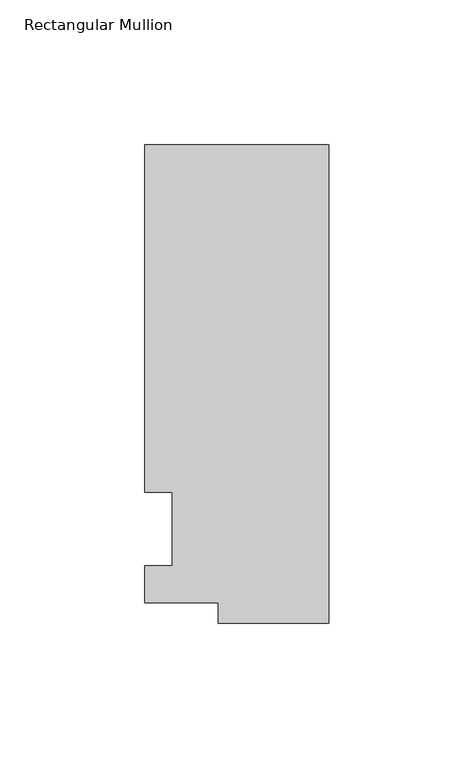
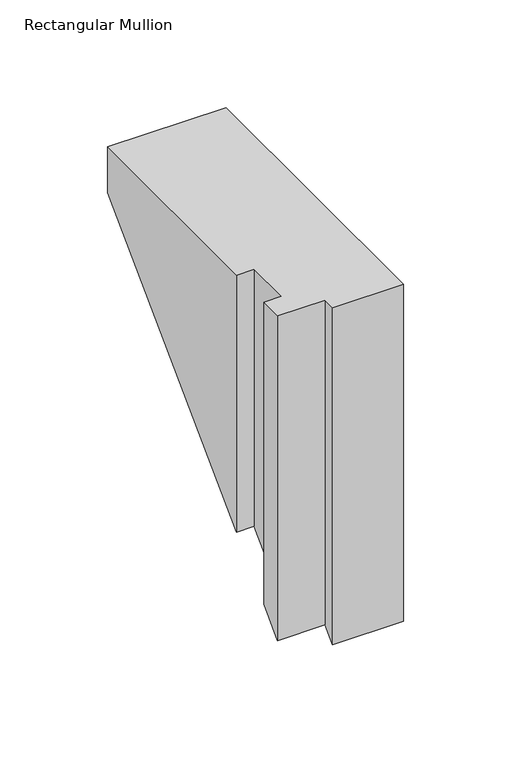
"""IFC4 building model written with IfcOpenShell, lengths in millimetres: member geometry, Rectangular Mullion."""

from ifc_helpers import new_model, si_unit, origin, place, context, project, spatial, faceted_brep, source, transform, mapped, element, save


def rectangular_mullion_f59e5c46(model_context):
    return source(origin(), model_context, "Body", "Brep", [
        faceted_brep([(-38.1, -32.54375, 0.0), (0.0, -32.54375, 0.0), (0.0, 132.55625, 0.0), (-63.5, 132.55625, 0.0), (-63.5, 12.7, 0.0), (-53.975, 12.7, 0.0), (-53.975, -12.7, 0.0), (-63.5, -12.7, 0.0), (-63.5, -25.58415, 0.0), (-38.1, -25.58415, 0.0), (-38.1, -32.54375, -191.0601288), (0.0, -32.54375, -191.0601288), (0.0, 132.55625, -25.9601288), (-63.5, 132.55625, -25.9601288), (-63.5, 12.7, -145.8163788), (-53.975, 12.7, -145.8163788), (-53.975, -12.7, -171.2163788), (-63.5, -12.7, -171.2163788), (-63.5, -25.58415, -184.1005288), (-38.1, -25.58415, -184.1005288)], [[[0, 1, 2, 3, 4, 5, 6, 7, 8, 9]], [[1, 0, 10, 11]], [[2, 1, 11, 12]], [[3, 2, 12, 13]], [[4, 3, 13, 14]], [[5, 4, 14, 15]], [[6, 5, 15, 16]], [[7, 6, 16, 17]], [[8, 7, 17, 18]], [[9, 8, 18, 19]], [[0, 9, 19, 10]], [[10, 19, 18, 17, 16, 15, 14, 13, 12, 11]]]),
    ])


if __name__ == "__main__":
    model = new_model("IFC4")
    model_context = context("Model", 3, world=origin())
    ifc_project = project(units=[si_unit("LENGTHUNIT", "METRE", prefix="MILLI")], contexts=[model_context])
    site = spatial("IfcSite", under=ifc_project)
    building = spatial("IfcBuilding", under=site)
    placement = place(None, origin())
    rectangular_mullion_shape = rectangular_mullion_f59e5c46(model_context)
    element("IfcMember", 1, ObjectType="Rectangular Mullion", at=placement, inside=building, context=model_context, shape_type="MappedRepresentation", body=[
        mapped(rectangular_mullion_shape, transform((0.0, 0.0, 0.0), x_axis=(1.0, 0.0, 0.0), y_axis=(0.0, 1.0, 0.0), z_axis=(0.0, 0.0, 1.0))),
    ])
    save(model, "model.ifc")
